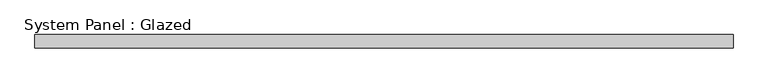
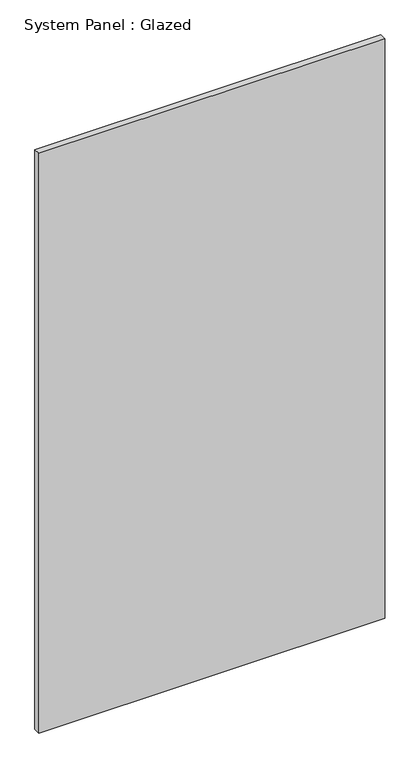
"""IFC4 building model written with IfcOpenShell, lengths in millimetres: plate geometry, System Panel : Glazed."""

from ifc_helpers import new_model, si_unit, origin, origin_with_axes, place, context, project, spatial, polyline, outline, extrude, source, transform, mapped, element, save


def system_panel_glazed_29486fbb(model_context):
    return source(origin(), model_context, "Body", "SweptSolid", [
        extrude(outline(polyline([(656.25, 24.5), (-656.25, 24.5), (-656.25, 49.5), (656.25, 49.5), (656.25, 24.5)])), origin_with_axes(), (0.0, 0.0, 1.0), 2325.0),
    ])


if __name__ == "__main__":
    model = new_model("IFC4")
    model_context = context("Model", 3, world=origin())
    ifc_project = project(units=[si_unit("LENGTHUNIT", "METRE", prefix="MILLI")], contexts=[model_context])
    site = spatial("IfcSite", under=ifc_project)
    building = spatial("IfcBuilding", under=site)
    placement = place(None, origin())
    system_panel_glazed_shape = system_panel_glazed_29486fbb(model_context)
    element("IfcPlate", 1, ObjectType="System Panel : Glazed", at=placement, inside=building, context=model_context, shape_type="MappedRepresentation", body=[
        mapped(system_panel_glazed_shape, transform((0.0, 0.0, 0.0), x_axis=(1.0, 0.0, 0.0), y_axis=(0.0, 1.0, 0.0), z_axis=(0.0, 0.0, 1.0))),
    ])
    save(model, "model.ifc")
